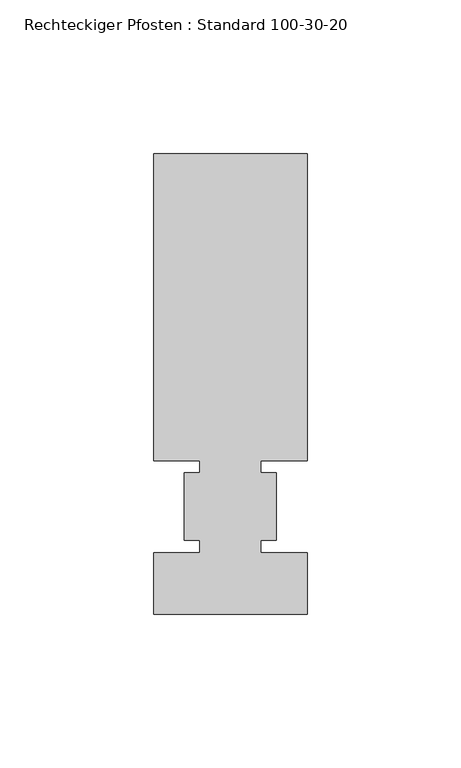
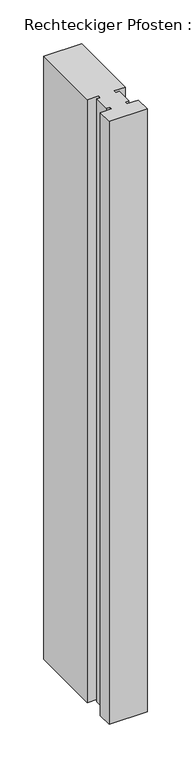
"""IFC4 building model written with IfcOpenShell, lengths in millimetres: member geometry, Rechteckiger Pfosten : Standard 100-30-20."""

from ifc_helpers import new_model, si_unit, frame, origin, place, context, project, spatial, polyline, outline, extrude, source, transform, mapped, element, save


def rechteckiger_pfosten_standard_100_30_20_df2a5cb4(model_context):
    return source(origin(), model_context, "Body", "SweptSolid", [
        extrude(outline(polyline([(0.0, 115.0), (0.0, 15.0), (-15.0, 15.0), (-15.0, 11.0), (-10.0, 11.0), (-10.0, -11.0), (-15.0, -11.0), (-15.0, -15.0), (0.0, -15.0), (0.0, -35.0), (-50.0, -35.0), (-50.0, -15.0), (-35.0, -15.0), (-35.0, -11.0), (-40.0, -11.0), (-40.0, 11.0), (-35.0, 11.0), (-35.0, 15.0), (-50.0, 15.0), (-50.0, 115.0), (0.0, 115.0)])), frame((0.0, 0.0, -842.4999998), z_axis=(0.0, 0.0, 1.0), x_axis=(1.0, 0.0, 0.0)), (0.0, 0.0, 1.0), 842.4999998),
    ])


if __name__ == "__main__":
    model = new_model("IFC4")
    model_context = context("Model", 3, world=origin())
    ifc_project = project(units=[si_unit("LENGTHUNIT", "METRE", prefix="MILLI")], contexts=[model_context])
    site = spatial("IfcSite", under=ifc_project)
    building = spatial("IfcBuilding", under=site)
    placement = place(None, origin())
    rechteckiger_pfosten_standard_100_30_20_shape = rechteckiger_pfosten_standard_100_30_20_df2a5cb4(model_context)
    element("IfcMember", 1, ObjectType="Rechteckiger Pfosten : Standard 100-30-20", at=placement, inside=building, context=model_context, shape_type="MappedRepresentation", body=[
        mapped(rechteckiger_pfosten_standard_100_30_20_shape, transform((0.0, 0.0, 0.0), x_axis=(1.0, 0.0, 0.0), y_axis=(0.0, 1.0, 0.0), z_axis=(0.0, 0.0, 1.0))),
    ])
    save(model, "model.ifc")
